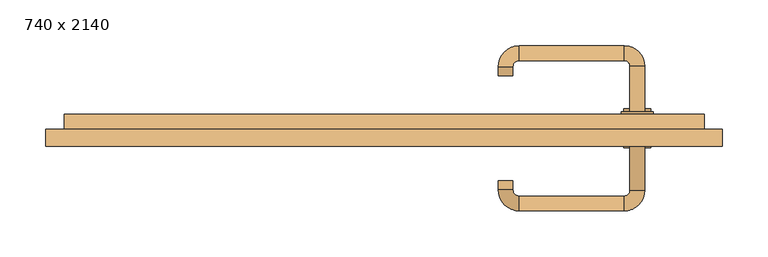
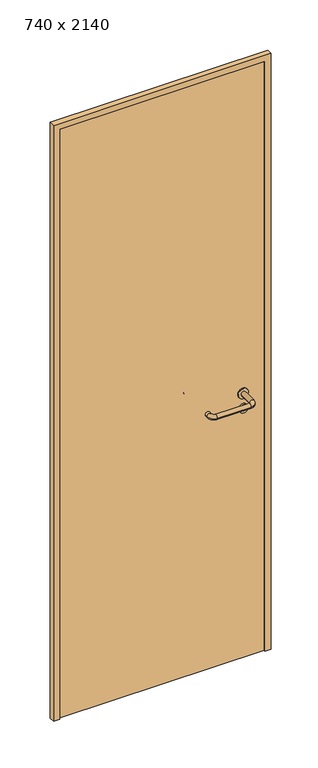
"""IFC4 building model written with IfcOpenShell, lengths in millimetres: door geometry, 740 x 2140."""

from ifc_helpers import new_model, si_unit, point, frame, frame_2d, origin, origin_with_axes, place, context, project, spatial, polyline, circle_curve, ellipse_curve, trimmed, segment, composite_curve, outline, extrude, source, transform, mapped, element, save
from ifc_brep_helpers import plane_surface, cylinder_surface, revolved_surface, advanced_brep


def door_740_x_2140_5281cfef(model_context):
    return source(origin(), model_context, "Body", "SolidModel", [
        extrude(outline(composite_curve([segment(trimmed(circle_curve(frame_2d((897.3605726, 277.0)), 15.0), [point((897.3605726, 292.0))], [point((897.3605726, 262.0))], False, "CARTESIAN"), True, "CONTINUOUS"), segment(trimmed(circle_curve(frame_2d((897.3605726, 277.0)), 15.0), [point((897.3605726, 262.0))], [point((897.3605726, 292.0))], False, "CARTESIAN"), True, "CONTINUOUS")], self_intersect=False), holes=[composite_curve([segment(trimmed(circle_curve(frame_2d((892.5833211, 276.9398032)), 2.0), [point((892.5833211, 278.9398032))], [point((892.5833211, 274.9398032))], True, "CARTESIAN"), True, "CONTINUOUS"), segment(polyline([(892.5833211, 274.9398032), (902.5833211, 274.9398032)]), True, "CONTINUOUS"), segment(trimmed(circle_curve(frame_2d((902.5833211, 276.9398032)), 2.0), [point((902.5833211, 274.9398032))], [point((902.5833211, 278.9398032))], True, "CARTESIAN"), True, "CONTINUOUS"), segment(polyline([(902.5833211, 278.9398032), (892.5833211, 278.9398032)]), True, "CONTINUOUS")], self_intersect=False)]), frame((0.0, 25.0, 0.0), z_axis=(0.0, 1.0, 0.0), x_axis=(0.0, 0.0, 1.0)), (0.0, 0.0, 1.0), 6.35),
        extrude(outline(composite_curve([segment(trimmed(circle_curve(frame_2d((950.0, 277.0)), 17.526), [point((950.0, 294.526))], [point((950.0, 259.474))], False, "CARTESIAN"), True, "CONTINUOUS"), segment(trimmed(circle_curve(frame_2d((950.0, 277.0)), 17.526), [point((950.0, 259.474))], [point((950.0, 294.526))], False, "CARTESIAN"), True, "CONTINUOUS")], self_intersect=False)), frame((0.0, 25.0, 0.0), z_axis=(0.0, 1.0, 0.0), x_axis=(0.0, 0.0, 1.0)), (0.0, 0.0, 1.0), 3.175),
        advanced_brep(
        [(285.0, 25.0, 950.0), (269.0, 25.0, 950.0), (285.0, 78.0, 950.0), (269.0, 78.0, 950.0), (262.8578644, 84.1421356, 950.0), (262.8578644, 100.1421356, 950.0), (147.8578644, 100.1421356, 950.0), (147.8578644, 84.1421356, 950.0), (141.008622, 77.2928932, 950.0), (125.008622, 77.2928932, 950.0), (125.008622, 67.2928932, 950.0), (141.008622, 67.2928932, 950.0)],
        [
            (0, 1, circle_curve(frame((277.0, 25.0, 950.0), z_axis=(0.0, -1.0, 0.0), x_axis=(-1.0, 0.0, 0.0)), 8.0)),
            (1, 0, circle_curve(frame((277.0, 25.0, 950.0), z_axis=(0.0, -1.0, 0.0), x_axis=(-1.0, 0.0, 0.0)), 8.0)),
            (0, 2),
            (2, 3, circle_curve(frame((277.0, 78.0, 950.0), z_axis=(0.0, -1.0, 0.0), x_axis=(-1.0, 0.0, 0.0)), 8.0)),
            (3, 1),
            (3, 2, circle_curve(frame((277.0, 78.0, 950.0), z_axis=(0.0, -1.0, 0.0), x_axis=(-1.0, 0.0, 0.0)), 8.0)),
            (4, 3, circle_curve(frame((262.8578644, 78.0, 950.0), z_axis=(0.0, 0.0, -1.0), x_axis=(1.0, 0.0, 0.0)), 6.1421356)),
            (2, 5, circle_curve(frame((262.8578644, 78.0, 950.0), z_axis=(0.0, 0.0, 1.0), x_axis=(1.0, 0.0, 0.0)), 22.1421356)),
            (5, 4, circle_curve(frame((262.8578644, 92.1421356, 950.0), z_axis=(1.0, 0.0, 0.0), x_axis=(0.0, -1.0, 0.0)), 8.0)),
            (4, 5, circle_curve(frame((262.8578644, 92.1421356, 950.0), z_axis=(1.0, 0.0, 0.0), x_axis=(0.0, -1.0, 0.0)), 8.0)),
            (5, 6),
            (6, 7, circle_curve(frame((147.8578644, 92.1421356, 950.0), z_axis=(1.0, 0.0, 0.0), x_axis=(0.0, -1.0, 0.0)), 8.0)),
            (7, 4),
            (7, 6, circle_curve(frame((147.8578644, 92.1421356, 950.0), z_axis=(1.0, 0.0, 0.0), x_axis=(0.0, -1.0, 0.0)), 8.0)),
            (8, 7, circle_curve(frame((147.8578644, 77.2928932, 950.0), z_axis=(0.0, 0.0, -1.0), x_axis=(0.0, 1.0, 0.0)), 6.8492424)),
            (6, 9, circle_curve(frame((147.8578644, 77.2928932, 950.0), z_axis=(0.0, 0.0, 1.0), x_axis=(0.0, 1.0, 0.0)), 22.8492424)),
            (9, 8, circle_curve(frame((133.008622, 77.2928932, 950.0), z_axis=(0.0, 1.0, 0.0), x_axis=(1.0, 0.0, 0.0)), 8.0)),
            (8, 9, circle_curve(frame((133.008622, 77.2928932, 950.0), z_axis=(0.0, 1.0, 0.0), x_axis=(1.0, 0.0, 0.0)), 8.0)),
            (10, 11, circle_curve(frame((133.008622, 67.2928932, 950.0), z_axis=(0.0, -1.0, 0.0), x_axis=(1.0, 0.0, 0.0)), 8.0)),
            (11, 10, circle_curve(frame((133.008622, 67.2928932, 950.0), z_axis=(0.0, -1.0, 0.0), x_axis=(1.0, 0.0, 0.0)), 8.0)),
            (9, 10),
            (11, 8),
        ],
        [
            plane_surface(frame((277.0, 25.0, 0.0), z_axis=(0.0, -1.0, 0.0), x_axis=(0.0, 0.0, 1.0))),
            cylinder_surface(frame((277.0, 25.0, 950.0), z_axis=(0.0, -1.0, 0.0), x_axis=(-1.0, 0.0, 0.0)), 8.0),
            revolved_surface(trimmed(ellipse_curve(frame((277.0, 78.0, 950.0), z_axis=(0.0, -1.0, 0.0), x_axis=(-1.0, 0.0, 0.0)), 8.0, 8.0), [point((285.0, 78.0, 950.0))], [point((269.0, 78.0, 950.0))], True, "CARTESIAN"), (262.8578644, 78.0, 0.0), (0.0, 0.0, 1.0)),
            revolved_surface(trimmed(ellipse_curve(frame((277.0, 78.0, 950.0), z_axis=(0.0, -1.0, 0.0), x_axis=(-1.0, 0.0, 0.0)), 8.0, 8.0), [point((269.0, 78.0, 950.0))], [point((285.0, 78.0, 950.0))], True, "CARTESIAN"), (262.8578644, 78.0, 0.0), (0.0, 0.0, 1.0)),
            cylinder_surface(frame((262.8578644, 92.1421356, 950.0), z_axis=(1.0, 0.0, 0.0), x_axis=(0.0, -1.0, 0.0)), 8.0),
            revolved_surface(trimmed(ellipse_curve(frame((147.8578644, 92.1421356, 950.0), z_axis=(1.0, 0.0, 0.0), x_axis=(0.0, -1.0, 0.0)), 8.0, 8.0), [point((147.8578644, 100.1421356, 950.0))], [point((147.8578644, 84.1421356, 950.0))], True, "CARTESIAN"), (147.8578644, 77.2928932, 0.0), (0.0, 0.0, 1.0)),
            revolved_surface(trimmed(ellipse_curve(frame((147.8578644, 92.1421356, 950.0), z_axis=(1.0, 0.0, 0.0), x_axis=(0.0, -1.0, 0.0)), 8.0, 8.0), [point((147.8578644, 84.1421356, 950.0))], [point((147.8578644, 100.1421356, 950.0))], True, "CARTESIAN"), (147.8578644, 77.2928932, 0.0), (0.0, 0.0, 1.0)),
            plane_surface(frame((133.008622, 67.2928932, 0.0), z_axis=(0.0, -1.0, 0.0), x_axis=(0.0, 0.0, 1.0))),
            cylinder_surface(frame((133.008622, 77.2928932, 950.0), z_axis=(0.0, 1.0, 0.0), x_axis=(1.0, 0.0, 0.0)), 8.0),
        ],
        [
            (0, [[1, 2]]),
            (1, [[-1, 3, 4, 5]]),
            (1, [[-2, -5, 6, -3]]),
            (2, [[7, -4, 8, 9]]),
            (3, [[-8, -6, -7, 10]]),
            (4, [[-9, 11, 12, 13]]),
            (4, [[-10, -13, 14, -11]]),
            (5, [[15, -12, 16, 17]]),
            (6, [[-16, -14, -15, 18]]),
            (7, [[19, 20]]),
            (8, [[-17, 21, -20, 22]]),
            (8, [[-18, -22, -19, -21]]),
        ],
    ),
        extrude(outline(composite_curve([segment(trimmed(circle_curve(frame_2d((0.0, 15.0)), 15.0), [point((0.0, 30.0))], [point((0.0, 0.0))], False, "CARTESIAN"), True, "CONTINUOUS"), segment(trimmed(circle_curve(frame_2d((0.0, 15.0)), 15.0), [point((0.0, 0.0))], [point((0.0, 30.0))], False, "CARTESIAN"), True, "CONTINUOUS")], self_intersect=False), holes=[composite_curve([segment(trimmed(circle_curve(frame_2d((-4.7772515, 14.9398032)), 2.0), [point((-4.7772515, 16.9398032))], [point((-4.7772515, 12.9398032))], True, "CARTESIAN"), True, "CONTINUOUS"), segment(polyline([(-4.7772515, 12.9398032), (5.2227485, 12.9398032)]), True, "CONTINUOUS"), segment(trimmed(circle_curve(frame_2d((5.2227485, 14.9398032)), 2.0), [point((5.2227485, 12.9398032))], [point((5.2227485, 16.9398032))], True, "CARTESIAN"), True, "CONTINUOUS"), segment(polyline([(5.2227485, 16.9398032), (-4.7772515, 16.9398032)]), True, "CONTINUOUS")], self_intersect=False)]), frame((262.0, -11.35, 897.3605726), z_axis=(-1.8870575173328306e-12, 1.0, 0.0), x_axis=(0.0, 0.0, 1.0)), (0.0, 0.0, 1.0), 6.35),
        extrude(outline(composite_curve([segment(trimmed(circle_curve(frame_2d((0.0, 17.526)), 17.526), [point((0.0, 35.052))], [point((0.0, 0.0))], False, "CARTESIAN"), True, "CONTINUOUS"), segment(trimmed(circle_curve(frame_2d((0.0, 17.526)), 17.526), [point((0.0, 0.0))], [point((0.0, 35.052))], False, "CARTESIAN"), True, "CONTINUOUS")], self_intersect=False)), frame((259.474, -8.175, 950.0), z_axis=(-1.8870575173328306e-12, 1.0, 0.0), x_axis=(0.0, 0.0, 1.0)), (0.0, 0.0, 1.0), 3.175),
        advanced_brep(
        [(285.0, -5.0, 950.0), (269.0, -5.0, 950.0), (269.0, -58.0, 950.0), (285.0, -58.0, 950.0), (262.8578644, -64.1421356, 950.0), (262.8578644, -80.1421356, 950.0), (147.8578644, -64.1421356, 950.0), (147.8578644, -80.1421356, 950.0), (141.008622, -57.2928932, 950.0), (125.008622, -57.2928932, 950.0), (125.008622, -47.2928932, 950.0), (141.008622, -47.2928932, 950.0)],
        [
            (0, 1, circle_curve(frame((277.0, -5.0, 950.0), z_axis=(-1.888672253512351e-12, 1.0, 0.0), x_axis=(-1.0, -1.888672253512351e-12, 0.0)), 8.0)),
            (1, 0, circle_curve(frame((277.0, -5.0, 950.0), z_axis=(-1.888672253512351e-12, 1.0, 0.0), x_axis=(-1.0, -1.888672253512351e-12, 0.0)), 8.0)),
            (1, 2),
            (2, 3, circle_curve(frame((277.0, -58.0, 950.0), z_axis=(-1.888672253512351e-12, 1.0, 0.0), x_axis=(-1.0, -1.888672253512351e-12, 0.0)), 8.0)),
            (3, 0),
            (3, 2, circle_curve(frame((277.0, -58.0, 950.0), z_axis=(-1.888672253512351e-12, 1.0, 0.0), x_axis=(-1.0, -1.888672253512351e-12, 0.0)), 8.0)),
            (4, 5, circle_curve(frame((262.8578644, -72.1421356, 950.0), z_axis=(1.0, 1.913702061528922e-12, 0.0), x_axis=(-1.913702061528922e-12, 1.0, 0.0)), 8.0)),
            (5, 3, circle_curve(frame((262.8578644, -58.0, 950.0), z_axis=(0.0, 0.0, 1.0), x_axis=(1.0, 1.880717803715015e-12, 0.0)), 22.1421356)),
            (2, 4, circle_curve(frame((262.8578644, -58.0, 950.0), z_axis=(0.0, 0.0, -1.0), x_axis=(1.0, 1.880717803715015e-12, 0.0)), 6.1421356)),
            (5, 4, circle_curve(frame((262.8578644, -72.1421356, 950.0), z_axis=(1.0, 1.913702061528922e-12, 0.0), x_axis=(-1.913702061528922e-12, 1.0, 0.0)), 8.0)),
            (4, 6),
            (6, 7, circle_curve(frame((147.8578644, -72.1421356, 950.0), z_axis=(1.0, 1.913719828541269e-12, 0.0), x_axis=(-1.913719828541269e-12, 1.0, 0.0)), 8.0)),
            (7, 5),
            (7, 6, circle_curve(frame((147.8578644, -72.1421356, 950.0), z_axis=(1.0, 1.913719828541269e-12, 0.0), x_axis=(-1.913719828541269e-12, 1.0, 0.0)), 8.0)),
            (8, 9, circle_curve(frame((133.008622, -57.2928932, 950.0), z_axis=(1.8888942981172756e-12, -1.0, 0.0), x_axis=(1.0, 1.8888942981172756e-12, 0.0)), 8.0)),
            (9, 7, circle_curve(frame((147.8578644, -57.2928932, 950.0), z_axis=(0.0, 0.0, 1.0), x_axis=(1.9120873253494017e-12, -1.0, 0.0)), 22.8492424)),
            (6, 8, circle_curve(frame((147.8578644, -57.2928932, 950.0), z_axis=(0.0, 0.0, -1.0), x_axis=(1.9120873253494017e-12, -1.0, 0.0)), 6.8492424)),
            (9, 8, circle_curve(frame((133.008622, -57.2928932, 950.0), z_axis=(1.890448610351751e-12, -1.0, 0.0), x_axis=(1.0, 1.890448610351751e-12, 0.0)), 8.0)),
            (10, 11, circle_curve(frame((133.008622, -47.2928932, 950.0), z_axis=(-1.8903642334018795e-12, 1.0, 0.0), x_axis=(1.0, 1.8903642334018795e-12, 0.0)), 8.0)),
            (11, 10, circle_curve(frame((133.008622, -47.2928932, 950.0), z_axis=(-1.8903642334018795e-12, 1.0, 0.0), x_axis=(1.0, 1.8903642334018795e-12, 0.0)), 8.0)),
            (8, 11),
            (10, 9),
        ],
        [
            plane_surface(frame((277.0, -5.0, 0.0), z_axis=(-1.8870575173328306e-12, 1.0, 0.0), x_axis=(0.0, 0.0, 1.0))),
            cylinder_surface(frame((277.0, -5.0, 950.0), z_axis=(-1.888672253512351e-12, 1.0, 0.0), x_axis=(-1.0, -1.888672253512351e-12, 0.0)), 8.0),
            revolved_surface(trimmed(ellipse_curve(frame((277.0, -58.0, 950.0), z_axis=(1.8823325398945356e-12, -1.0, 0.0), x_axis=(-1.0, -1.8823325398945356e-12, 0.0)), 8.0, 8.0), [point((285.0, -58.0, 950.0))], [point((269.0, -58.0, 950.0))], True, "CARTESIAN"), (262.8578644, -58.0, 0.0), (0.0, 0.0, 1.0)),
            revolved_surface(trimmed(ellipse_curve(frame((277.0, -58.0, 950.0), z_axis=(1.8823325398945356e-12, -1.0, 0.0), x_axis=(-1.0, -1.8823325398945356e-12, 0.0)), 8.0, 8.0), [point((269.0, -58.0, 950.0))], [point((285.0, -58.0, 950.0))], True, "CARTESIAN"), (262.8578644, -58.0, 0.0), (0.0, 0.0, 1.0)),
            cylinder_surface(frame((262.8578644, -72.1421356, 950.0), z_axis=(1.0, 1.913719828541269e-12, 0.0), x_axis=(-1.913719828541269e-12, 1.0, 0.0)), 8.0),
            revolved_surface(trimmed(ellipse_curve(frame((147.8578644, -72.1421356, 950.0), z_axis=(-1.0, -1.913702061528922e-12, 0.0), x_axis=(-1.913702061528922e-12, 1.0, 0.0)), 8.0, 8.0), [point((147.8578644, -80.1421356, 950.0))], [point((147.8578644, -64.1421356, 950.0))], True, "CARTESIAN"), (147.8578644, -57.2928932, 0.0), (0.0, 0.0, 1.0)),
            revolved_surface(trimmed(ellipse_curve(frame((147.8578644, -72.1421356, 950.0), z_axis=(-1.0, -1.913702061528922e-12, 0.0), x_axis=(-1.913702061528922e-12, 1.0, 0.0)), 8.0, 8.0), [point((147.8578644, -64.1421356, 950.0))], [point((147.8578644, -80.1421356, 950.0))], True, "CARTESIAN"), (147.8578644, -57.2928932, 0.0), (0.0, 0.0, 1.0)),
            plane_surface(frame((133.008622, -47.2928932, 0.0), z_axis=(-1.8887494972223595e-12, 1.0, 0.0), x_axis=(0.0, 0.0, 1.0))),
            cylinder_surface(frame((133.008622, -57.2928932, 950.0), z_axis=(1.8903642334018795e-12, -1.0, 0.0), x_axis=(1.0, 1.8903642334018795e-12, 0.0)), 8.0),
        ],
        [
            (0, [[1, 2]]),
            (1, [[3, 4, 5, -2]]),
            (1, [[-5, 6, -3, -1]]),
            (2, [[7, 8, -4, 9]]),
            (3, [[10, -9, -6, -8]]),
            (4, [[11, 12, 13, -7]]),
            (4, [[-13, 14, -11, -10]]),
            (5, [[15, 16, -12, 17]]),
            (6, [[18, -17, -14, -16]]),
            (7, [[19, 20]]),
            (8, [[21, -19, 22, -15]]),
            (8, [[-22, -20, -21, -18]]),
        ],
    ),
        extrude(outline(polyline([(2120.0, 350.0), (0.0, 350.0), (0.0, 370.0), (2140.0, 370.0), (2140.0, -370.0), (0.0, -370.0), (0.0, -350.0), (2120.0, -350.0), (2120.0, 350.0)])), frame((0.0, -10.0, 0.0), z_axis=(0.0, 1.0, 0.0), x_axis=(0.0, 0.0, 1.0)), (0.0, 0.0, 1.0), 19.0),
        extrude(outline(polyline([(-350.0, -5.0), (-350.0, 25.0), (350.0, 25.0), (350.0, -5.0), (-350.0, -5.0)])), origin_with_axes(), (0.0, 0.0, 1.0), 2120.0),
    ])


if __name__ == "__main__":
    model = new_model("IFC4")
    model_context = context("Model", 3, world=origin())
    ifc_project = project(units=[si_unit("LENGTHUNIT", "METRE", prefix="MILLI")], contexts=[model_context])
    site = spatial("IfcSite", under=ifc_project)
    building = spatial("IfcBuilding", under=site)
    placement = place(None, origin())
    door_740_x_2140_shape = door_740_x_2140_5281cfef(model_context)
    element("IfcDoor", 1, ObjectType="740 x 2140", at=placement, inside=building, context=model_context, shape_type="MappedRepresentation", body=[
        mapped(door_740_x_2140_shape, transform((0.0, 0.0, 0.0), x_axis=(1.0, 0.0, 0.0), y_axis=(0.0, 1.0, 0.0), z_axis=(0.0, 0.0, 1.0))),
    ])
    save(model, "model.ifc")
